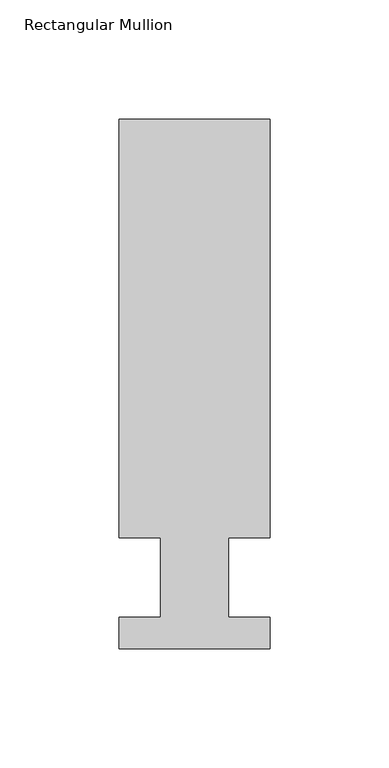
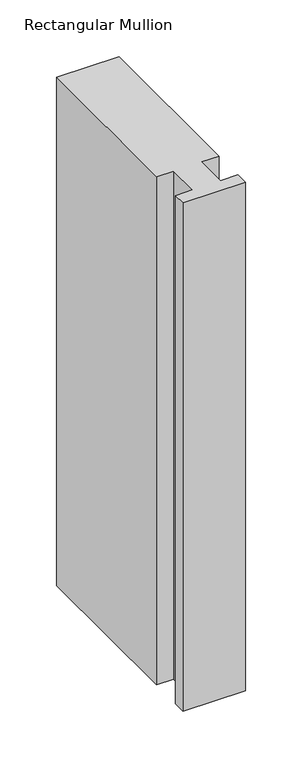
"""IFC4 building model written with IfcOpenShell, lengths in millimetres: member geometry, Rectangular Mullion."""

from ifc_helpers import new_model, si_unit, frame, origin, place, context, project, spatial, polyline, outline, extrude, source, transform, mapped, element, save


def rectangular_mullion_bff59fd3(model_context):
    return source(origin(), model_context, "Body", "SweptSolid", [
        extrude(outline(polyline([(-63.4999996, 222.5381313), (5e-07, 222.5381313), (5e-07, 46.7447312), (-17.4624996, 46.7447312), (-17.4624996, 13.3945312), (8e-07, 13.3945312), (8e-07, 0.2119312), (-63.4999992, 0.2119312), (-63.4999992, 13.3945312), (-46.0247996, 13.3945312), (-46.0247996, 46.7447312), (-63.4999996, 46.7447312), (-63.4999996, 222.5381313)])), frame((0.0, 0.0, -546.0809804), z_axis=(0.0, 0.0, 1.0), x_axis=(1.0, 0.0, 0.0)), (0.0, 0.0, 1.0), 546.0809804),
    ])


if __name__ == "__main__":
    model = new_model("IFC4")
    model_context = context("Model", 3, world=origin())
    ifc_project = project(units=[si_unit("LENGTHUNIT", "METRE", prefix="MILLI")], contexts=[model_context])
    site = spatial("IfcSite", under=ifc_project)
    building = spatial("IfcBuilding", under=site)
    placement = place(None, origin())
    rectangular_mullion_shape = rectangular_mullion_bff59fd3(model_context)
    element("IfcMember", 1, ObjectType="Rectangular Mullion", at=placement, inside=building, context=model_context, shape_type="MappedRepresentation", body=[
        mapped(rectangular_mullion_shape, transform((0.0, 0.0, 0.0), x_axis=(1.0, 0.0, 0.0), y_axis=(0.0, 1.0, 0.0), z_axis=(0.0, 0.0, 1.0))),
    ])
    save(model, "model.ifc")
